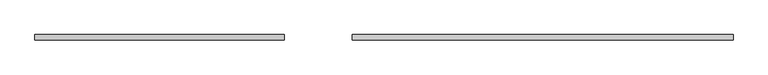
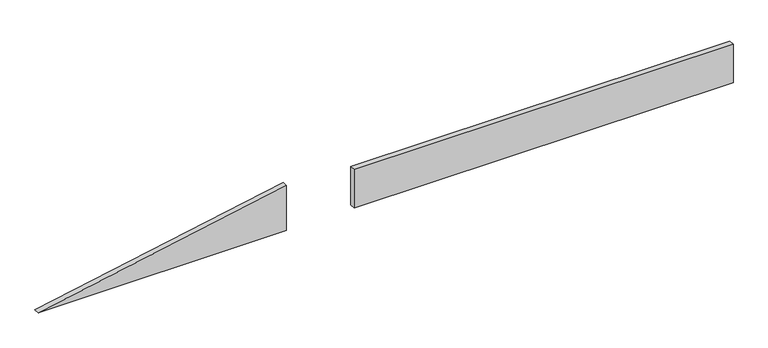
"""IFC4 building model written with IfcOpenShell, lengths in millimetres: plate geometry."""

from ifc_helpers import new_model, si_unit, frame, origin, origin_with_axes, place, context, project, spatial, polyline, outline, extrude, source, transform, mapped, element, save


def plate_c06520be(model_context):
    return source(origin(), model_context, "Body", "SweptSolid", [
        extrude(outline(polyline([(0.0, -1275.8024306), (0.0, -364.2371369), (174.386404, -364.2371369), (0.0, -1275.8024306)])), frame((0.0, 20.0, 0.0), z_axis=(0.0, 1.0, 0.0), x_axis=(0.0, 0.0, 1.0)), (0.0, 0.0, 1.0), 20.0),
        extrude(outline(polyline([(1275.8024306, 20.0), (-115.5212396, 20.0), (-115.5212396, 40.0), (1275.8024306, 40.0), (1275.8024306, 20.0)])), origin_with_axes(), (0.0, 0.0, 1.0), 150.0),
    ])


if __name__ == "__main__":
    model = new_model("IFC4")
    model_context = context("Model", 3, world=origin())
    ifc_project = project(units=[si_unit("LENGTHUNIT", "METRE", prefix="MILLI")], contexts=[model_context])
    site = spatial("IfcSite", under=ifc_project)
    building = spatial("IfcBuilding", under=site)
    placement = place(None, origin())
    plate_shape = plate_c06520be(model_context)
    element("IfcPlate", 1, at=placement, inside=building, context=model_context, shape_type="MappedRepresentation", body=[
        mapped(plate_shape, transform((0.0, 0.0, 0.0), x_axis=(1.0, 0.0, 0.0), y_axis=(0.0, 1.0, 0.0), z_axis=(0.0, 0.0, 1.0))),
    ])
    save(model, "model.ifc")
